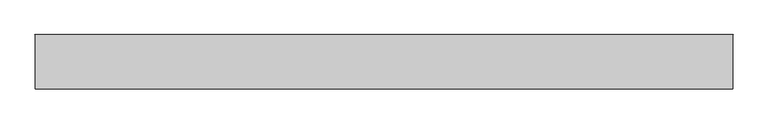
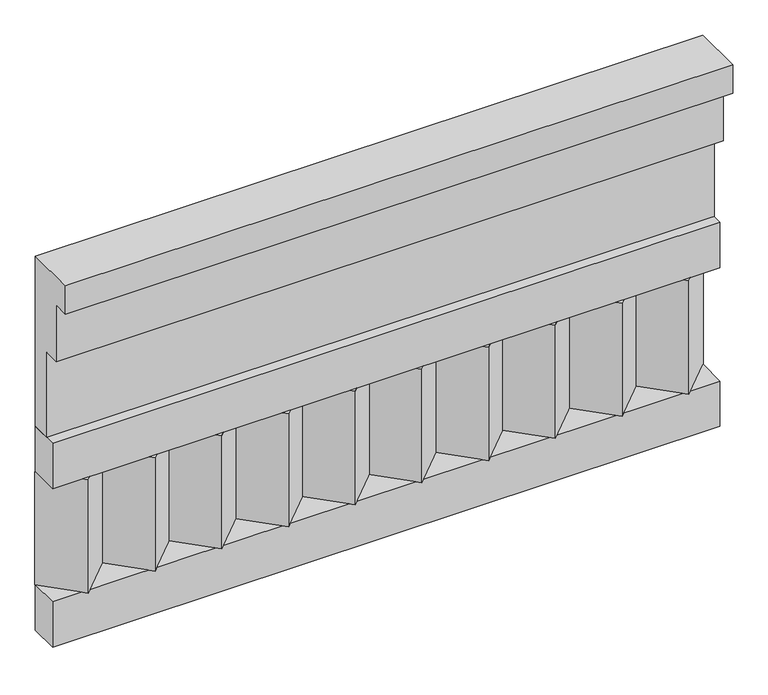
"""IFC4 building model written with IfcOpenShell, lengths in millimetres: railing geometry."""

import ifcopenshell
import ifcopenshell.guid

model = None  # the IFC model being written
_history = None  # IfcOwnerHistory: only IFC2X3 demands one
_inside = {}  # id of a spatial element -> (the spatial element, [elements in it])
_under = {}  # id of a project, library or spatial element -> (it, [spatial elements below it])
_declared = {}  # id of a project -> (the project, [libraries it declares])
_typed = {}  # id of a type object -> (the type object, [elements of that type])
_made_of = {}  # id of a material, layer set ... -> (it, [elements and type objects made of it])


def new_model(schema):
    """Start an empty IFC model of exactly this schema.

    Asked for "IFC4X3", IfcOpenShell would pick the latest addendum, in which some entities
    have other attributes; the version numbers below select the first issue.
    IFC2X3 requires an IfcOwnerHistory on every rooted entity: one is made here for all.
    """
    global model, _history
    if schema == "IFC4X3":
        model = ifcopenshell.file(schema_version=(4, 3, 0, 0))
    else:
        model = ifcopenshell.file(schema=schema)
    _inside.clear()
    _under.clear()
    _declared.clear()
    _typed.clear()
    _made_of.clear()
    _history = None
    if model.schema == "IFC2X3":
        org = make("IfcOrganization", Name="unknown")
        user = make(
            "IfcPersonAndOrganization",
            ThePerson=make("IfcPerson", FamilyName="unknown"),
            TheOrganization=org,
        )
        app = make(
            "IfcApplication",
            ApplicationDeveloper=org,
            Version="unknown",
            ApplicationFullName="unknown",
            ApplicationIdentifier="unknown",
        )
        _history = make(
            "IfcOwnerHistory",
            OwningUser=user,
            OwningApplication=app,
            ChangeAction="ADDED",
            CreationDate=0,
        )
    return model


def make(cls, **values):
    """One entity of the class cls with the attributes given. An attribute that is None is left unset."""
    return model.create_entity(
        cls, **{name: value for name, value in values.items() if value is not None}
    )


def rooted(cls, **values):
    """An entity with a GlobalId (a new one), such as an element, a storey or a relation."""
    return make(cls, GlobalId=ifcopenshell.guid.new(), OwnerHistory=_history, **values)


def si_unit(unit_type, name, prefix=None):
    """IfcSIUnit, for example si_unit("LENGTHUNIT", "METRE", prefix="MILLI")."""
    return make("IfcSIUnit", UnitType=unit_type, Prefix=prefix, Name=name)


def assignment(units):
    """IfcUnitAssignment: the units of a project."""
    return None if units is None else make("IfcUnitAssignment", Units=units)


def point(xyz):
    """IfcCartesianPoint."""
    return None if xyz is None else make("IfcCartesianPoint", Coordinates=xyz)


def direction(xyz):
    """IfcDirection."""
    return None if xyz is None else make("IfcDirection", DirectionRatios=xyz)


def frame(location, z_axis=None, x_axis=None):
    """IfcAxis2Placement3D, a coordinate frame: its origin and axes. An axis left out is left unset."""
    return make(
        "IfcAxis2Placement3D",
        Location=point(location),
        Axis=direction(z_axis),
        RefDirection=direction(x_axis),
    )


def origin():
    """The frame at (0, 0, 0) with its axes left unset."""
    return frame((0.0, 0.0, 0.0))


def place(relative_to, where):
    """IfcLocalPlacement: puts the frame where relative to a parent placement (None: the world)."""
    return make(
        "IfcLocalPlacement", PlacementRelTo=relative_to, RelativePlacement=where
    )


def context(
    kind, dimensions, precision=None, world=None, true_north=None, identifier=None
):
    """IfcGeometricRepresentationContext, for example the 3D "Model" context."""
    return make(
        "IfcGeometricRepresentationContext",
        ContextIdentifier=identifier,
        ContextType=kind,
        CoordinateSpaceDimension=dimensions,
        Precision=precision,
        WorldCoordinateSystem=world,
        TrueNorth=true_north,
    )


def project(units=None, contexts=None):
    """IfcProject with its units and contexts."""
    return rooted(
        "IfcProject",
        Name="project",
        RepresentationContexts=contexts,
        UnitsInContext=assignment(units),
    )


def spatial(cls, under=None, at=None, **own):
    """A site, building, storey or space (cls), placed at a placement, below another one or the project."""
    s = rooted(cls, ObjectPlacement=at, **own)
    if under is not None:
        _under.setdefault(under.id(), (under, []))[1].append(s)
    return s


def polyline(points):
    """IfcPolyline through the points."""
    return make("IfcPolyline", Points=[point(p) for p in points])


def outline(outer, holes=None, kind="AREA"):
    """IfcArbitraryClosedProfileDef: a profile drawn as a closed curve; with holes, ...WithVoids."""
    if holes is None:
        return make("IfcArbitraryClosedProfileDef", ProfileType=kind, OuterCurve=outer)
    return make(
        "IfcArbitraryProfileDefWithVoids",
        ProfileType=kind,
        OuterCurve=outer,
        InnerCurves=holes,
    )


def extrude(swept, where, along, depth):
    """IfcExtrudedAreaSolid: the profile swept, set in the frame where, extruded along a direction by depth."""
    return make(
        "IfcExtrudedAreaSolid",
        SweptArea=swept,
        Position=where,
        ExtrudedDirection=direction(along),
        Depth=depth,
    )


def shape(context_of_items, identifier, shape_type, items):
    """IfcShapeRepresentation: the items that make up one representation, for example the "Body"."""
    return make(
        "IfcShapeRepresentation",
        ContextOfItems=context_of_items,
        RepresentationIdentifier=identifier,
        RepresentationType=shape_type,
        Items=items,
    )


def source(mapping_origin, context_of_items, identifier, shape_type, items):
    """IfcRepresentationMap: a shape defined once, which mapped items show again and again."""
    return make(
        "IfcRepresentationMap",
        MappingOrigin=mapping_origin,
        MappedRepresentation=shape(context_of_items, identifier, shape_type, items),
    )


def transform(
    local_origin,
    x_axis=None,
    y_axis=None,
    z_axis=None,
    scale=None,
    scale2=None,
    scale3=None,
    uniform=True,
):
    """IfcCartesianTransformationOperator3D, or its non-uniform kind. x_axis, y_axis, z_axis: its Axis1, 2, 3."""
    if uniform:
        return make(
            "IfcCartesianTransformationOperator3D",
            Axis1=direction(x_axis),
            Axis2=direction(y_axis),
            LocalOrigin=point(local_origin),
            Scale=scale,
            Axis3=direction(z_axis),
        )
    return make(
        "IfcCartesianTransformationOperator3DnonUniform",
        Axis1=direction(x_axis),
        Axis2=direction(y_axis),
        LocalOrigin=point(local_origin),
        Scale=scale,
        Axis3=direction(z_axis),
        Scale2=scale2,
        Scale3=scale3,
    )


def mapped(mapping_source, mapping_target):
    """IfcMappedItem: shows the shape of a source again, moved by a transform."""
    return make(
        "IfcMappedItem", MappingSource=mapping_source, MappingTarget=mapping_target
    )


def made_of(thing, what):
    """Note that an element or type object is made of a material, layer set ...; save() writes the relation."""
    if what is not None:
        _made_of.setdefault(what.id(), (what, []))[1].append(thing)
    return thing


def element(
    cls,
    number,
    at=None,
    inside=None,
    cuts=None,
    type_object=None,
    material=None,
    context=None,
    identifier="Body",
    shape_type=None,
    held_by="IfcProductDefinitionShape",
    body=None,
    shapes=None,
    **own,
):
    """One element of the class cls, such as IfcWall. Its Tag is "e" and its number.

    at: its placement. inside: the storey or other place that contains it. cuts: it is an
    opening in that element (IfcRelVoidsElement). A single representation is given by context,
    identifier, shape_type and body (its items); several are given by shapes. held_by: the class
    of the entity that holds the representations. save() writes the other relations.
    """
    e = rooted(cls, Tag="e%d" % number, ObjectPlacement=at, **own)
    if body is not None:
        shapes = [shape(context, identifier, shape_type, body)]
    if shapes is not None:
        e.Representation = make(held_by, Representations=shapes)
    if inside is not None:
        _inside.setdefault(inside.id(), (inside, []))[1].append(e)
    if cuts is not None:
        rooted(
            "IfcRelVoidsElement", RelatingBuildingElement=cuts, RelatedOpeningElement=e
        )
    if type_object is not None:
        _typed.setdefault(type_object.id(), (type_object, []))[1].append(e)
    return made_of(e, material)


def aggregate(whole, parts):
    """IfcRelAggregates: a whole, such as a stair, and the parts it consists of."""
    return rooted("IfcRelAggregates", RelatingObject=whole, RelatedObjects=parts)


def save(model, path):
    """Write the relations noted so far, then the file.

    IfcRelAggregates (storeys below a building ...), IfcRelContainedInSpatialStructure (elements
    in a storey), IfcRelDefinesByType, IfcRelAssociatesMaterial and IfcRelDeclares: one each for
    every whole, place, type object, material and project.
    """
    for whole, parts in _under.values():
        aggregate(whole, parts)
    for where, things in _inside.values():
        rooted(
            "IfcRelContainedInSpatialStructure",
            RelatedElements=things,
            RelatingStructure=where,
        )
    for kind, things in _typed.values():
        rooted("IfcRelDefinesByType", RelatedObjects=things, RelatingType=kind)
    for what, things in _made_of.values():
        rooted("IfcRelAssociatesMaterial", RelatedObjects=things, RelatingMaterial=what)
    for by, libraries in _declared.values():
        rooted("IfcRelDeclares", RelatingContext=by, RelatedDefinitions=libraries)
    model.write(path)


def railing_a2c16d81(model_context):
    return source(origin(), model_context, "Body", "SweptSolid", [
        extrude(outline(polyline([(-16816.8920513, 15200.0), (-16816.8920513, 14750.0), (-16866.8920513, 14750.0), (-16866.8920513, 14975.0), (-16906.8920513, 14975.0), (-16906.8920513, 15125.0), (-16946.8920513, 15125.0), (-16946.8920513, 15200.0), (-16816.8920513, 15200.0)])), frame((-40039.9887159, 0.0, 0.0), z_axis=(1.0, 0.0, 0.0), x_axis=(0.0, 1.0, 0.0)), (0.0, 0.0, 1.0), 1670.0),
        extrude(outline(polyline([(-40039.9887159, -16891.8920513), (-40039.9887159, -16816.8920513), (-38369.9887159, -16816.8920513), (-38369.9887159, -16891.8920513), (-40039.9887159, -16891.8920513)])), frame((0.0, 0.0, 14630.0), z_axis=(0.0, 0.0, 1.0), x_axis=(1.0, 0.0, 0.0)), (0.0, 0.0, 1.0), 120.0),
        extrude(outline(polyline([(-40039.9887159, -16891.8920513), (-40039.9887159, -16816.8920513), (-38369.9887159, -16816.8920513), (-38369.9887159, -16891.8920513), (-40039.9887159, -16891.8920513)])), frame((0.0, 0.0, 14210.0), z_axis=(0.0, 0.0, 1.0), x_axis=(1.0, 0.0, 0.0)), (0.0, 0.0, 1.0), 120.0),
        extrude(outline(polyline([(-38453.4887159, -16901.7448651), (-38538.3415296, -16816.8920513), (-38368.6359022, -16816.8920513), (-38453.4887159, -16901.7448651)])), frame((0.0, 0.0, 14330.0), z_axis=(0.0, 0.0, 1.0), x_axis=(1.0, 0.0, 0.0)), (0.0, 0.0, 1.0), 300.0),
        extrude(outline(polyline([(-38620.4887159, -16901.7448651), (-38705.3415296, -16816.8920513), (-38535.6359022, -16816.8920513), (-38620.4887159, -16901.7448651)])), frame((0.0, 0.0, 14330.0), z_axis=(0.0, 0.0, 1.0), x_axis=(1.0, 0.0, 0.0)), (0.0, 0.0, 1.0), 300.0),
        extrude(outline(polyline([(-38787.4887159, -16901.7448651), (-38872.3415296, -16816.8920513), (-38702.6359022, -16816.8920513), (-38787.4887159, -16901.7448651)])), frame((0.0, 0.0, 14330.0), z_axis=(0.0, 0.0, 1.0), x_axis=(1.0, 0.0, 0.0)), (0.0, 0.0, 1.0), 300.0),
        extrude(outline(polyline([(-38954.4887159, -16901.7448651), (-39039.3415296, -16816.8920513), (-38869.6359022, -16816.8920513), (-38954.4887159, -16901.7448651)])), frame((0.0, 0.0, 14330.0), z_axis=(0.0, 0.0, 1.0), x_axis=(1.0, 0.0, 0.0)), (0.0, 0.0, 1.0), 300.0),
        extrude(outline(polyline([(-39121.4887159, -16901.7448651), (-39206.3415296, -16816.8920513), (-39036.6359022, -16816.8920513), (-39121.4887159, -16901.7448651)])), frame((0.0, 0.0, 14330.0), z_axis=(0.0, 0.0, 1.0), x_axis=(1.0, 0.0, 0.0)), (0.0, 0.0, 1.0), 300.0),
        extrude(outline(polyline([(-39288.4887159, -16901.7448651), (-39373.3415296, -16816.8920513), (-39203.6359022, -16816.8920513), (-39288.4887159, -16901.7448651)])), frame((0.0, 0.0, 14330.0), z_axis=(0.0, 0.0, 1.0), x_axis=(1.0, 0.0, 0.0)), (0.0, 0.0, 1.0), 300.0),
        extrude(outline(polyline([(-39455.4887159, -16901.7448651), (-39540.3415296, -16816.8920513), (-39370.6359022, -16816.8920513), (-39455.4887159, -16901.7448651)])), frame((0.0, 0.0, 14330.0), z_axis=(0.0, 0.0, 1.0), x_axis=(1.0, 0.0, 0.0)), (0.0, 0.0, 1.0), 300.0),
        extrude(outline(polyline([(-39622.4887159, -16901.7448651), (-39707.3415296, -16816.8920513), (-39537.6359022, -16816.8920513), (-39622.4887159, -16901.7448651)])), frame((0.0, 0.0, 14330.0), z_axis=(0.0, 0.0, 1.0), x_axis=(1.0, 0.0, 0.0)), (0.0, 0.0, 1.0), 300.0),
        extrude(outline(polyline([(-39789.4887159, -16901.7448651), (-39874.3415296, -16816.8920513), (-39704.6359022, -16816.8920513), (-39789.4887159, -16901.7448651)])), frame((0.0, 0.0, 14330.0), z_axis=(0.0, 0.0, 1.0), x_axis=(1.0, 0.0, 0.0)), (0.0, 0.0, 1.0), 300.0),
        extrude(outline(polyline([(-39956.4887159, -16901.7448651), (-40041.3415296, -16816.8920513), (-39871.6359022, -16816.8920513), (-39956.4887159, -16901.7448651)])), frame((0.0, 0.0, 14330.0), z_axis=(0.0, 0.0, 1.0), x_axis=(1.0, 0.0, 0.0)), (0.0, 0.0, 1.0), 300.0),
    ])


if __name__ == "__main__":
    model = new_model("IFC4")
    model_context = context("Model", 3, world=origin())
    ifc_project = project(units=[si_unit("LENGTHUNIT", "METRE", prefix="MILLI")], contexts=[model_context])
    site = spatial("IfcSite", under=ifc_project)
    building = spatial("IfcBuilding", under=site)
    placement = place(None, origin())
    railing_shape = railing_a2c16d81(model_context)
    element("IfcRailing", 1, at=placement, inside=building, context=model_context, shape_type="MappedRepresentation", body=[
        mapped(railing_shape, transform((0.0, 0.0, 0.0), x_axis=(1.0, 0.0, 0.0), y_axis=(0.0, 1.0, 0.0), z_axis=(0.0, 0.0, 1.0))),
    ])
    save(model, "model.ifc")
